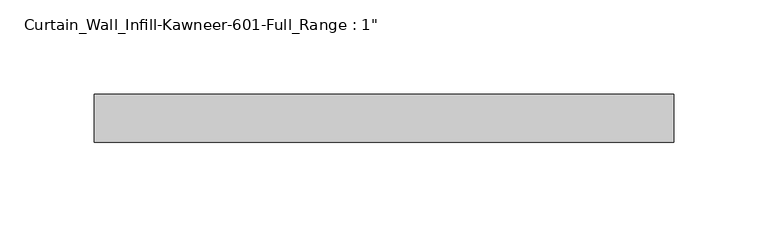
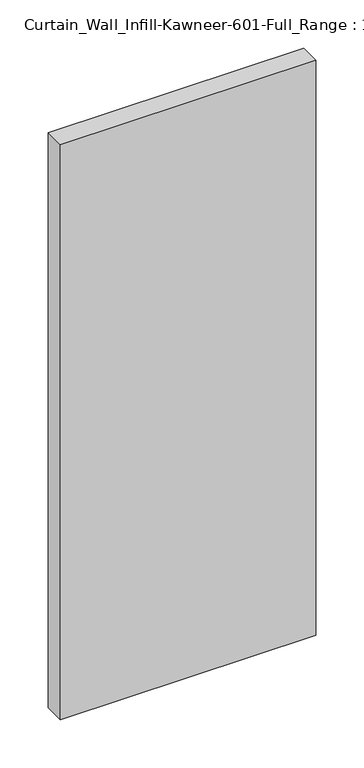
"""IFC4 building model written with IfcOpenShell, lengths in millimetres: plate geometry."""

from ifc_helpers import new_model, si_unit, origin, origin_with_axes, place, context, project, spatial, polyline, outline, extrude, source, transform, mapped, element, save


def plate_b959017b(model_context):
    return source(origin(), model_context, "Body", "SweptSolid", [
        extrude(outline(polyline([(-153.4583333, -12.7), (-153.4583333, 12.7), (153.4583333, 12.7), (153.4583333, -12.7), (-153.4583333, -12.7)])), origin_with_axes(), (0.0, 0.0, 1.0), 730.25),
    ])


if __name__ == "__main__":
    model = new_model("IFC4")
    model_context = context("Model", 3, world=origin())
    ifc_project = project(units=[si_unit("LENGTHUNIT", "METRE", prefix="MILLI")], contexts=[model_context])
    site = spatial("IfcSite", under=ifc_project)
    building = spatial("IfcBuilding", under=site)
    placement = place(None, origin())
    plate_shape = plate_b959017b(model_context)
    element("IfcPlate", 1, ObjectType="Curtain_Wall_Infill-Kawneer-601-Full_Range : 1\"", at=placement, inside=building, context=model_context, shape_type="MappedRepresentation", body=[
        mapped(plate_shape, transform((0.0, 0.0, 0.0), x_axis=(1.0, 0.0, 0.0), y_axis=(0.0, 1.0, 0.0), z_axis=(0.0, 0.0, 1.0))),
    ])
    save(model, "model.ifc")
